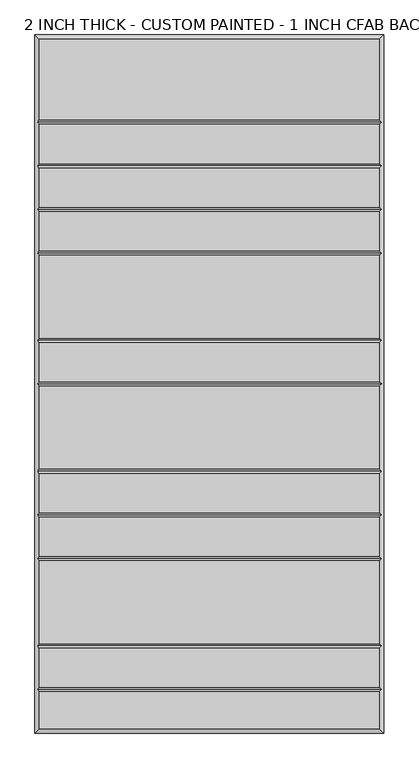
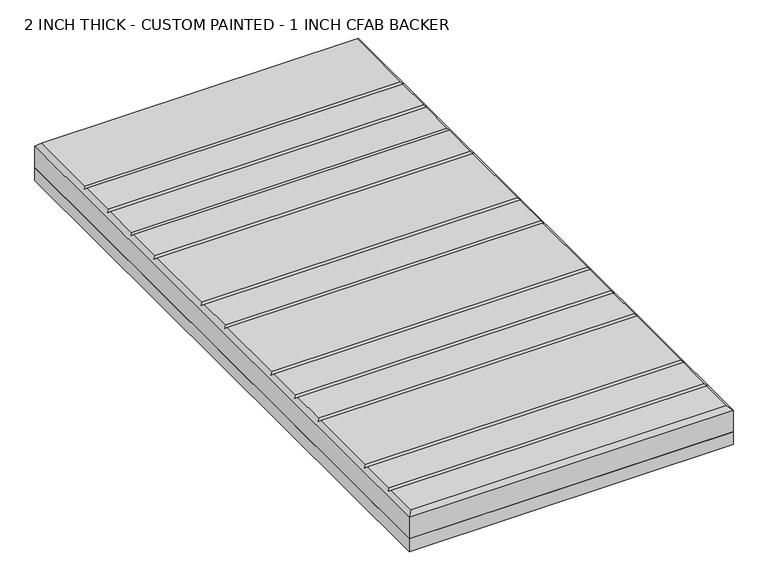
"""IFC4 building model written with IfcOpenShell, lengths in millimetres: proxy geometry, 2 INCH THICK - CUSTOM PAINTED - 1 INCH CFAB BACKER."""

from ifc_helpers import new_model, si_unit, frame, origin, place, context, project, spatial, polyline, outline, extrude, faceted_brep, source, transform, mapped, element, save


def proxy_2_inch_thick_custom_painted_1_inch_cfab_backer_077ffd60(model_context):
    return source(origin(), model_context, "Body", "SolidModel", [
        extrude(outline(polyline([(-304.8, 609.6), (304.8, 609.6), (304.8, -609.6), (-304.8, -609.6), (-304.8, 609.6)])), frame((0.0, 0.0, -25.4), z_axis=(0.0, 0.0, 1.0), x_axis=(1.0, 0.0, 0.0)), (0.0, 0.0, 1.0), 25.4),
        faceted_brep([(296.799, 601.599, 50.8), (-296.799, 601.599, 50.8), (-296.799, 461.2005, 50.8), (296.799, 461.2005, 50.8), (-296.799, -601.599, 50.8), (296.799, -601.599, 50.8), (296.799, -537.4005, 50.8), (-296.799, -537.4005, 50.8), (296.799, 376.9995, 50.8), (-296.799, 376.9995, 50.8), (-296.799, 308.8005, 50.8), (296.799, 308.8005, 50.8), (-296.799, 385.0005, 50.8), (296.799, 385.0005, 50.8), (296.799, 453.1995, 50.8), (-296.799, 453.1995, 50.8), (296.799, 300.7995, 50.8), (-296.799, 300.7995, 50.8), (-296.799, 232.6005, 50.8), (296.799, 232.6005, 50.8), (296.799, 224.5995, 50.8), (-296.799, 224.5995, 50.8), (-296.799, 80.2005, 50.8), (296.799, 80.2005, 50.8), (296.799, 72.1995, 50.8), (-296.799, 72.1995, 50.8), (-296.799, 4.0005, 50.8), (296.799, 4.0005, 50.8), (296.799, -4.0005, 50.8), (-296.799, -4.0005, 50.8), (-296.799, -148.3995, 50.8), (296.799, -148.3995, 50.8), (296.799, -156.4005, 50.8), (-296.799, -156.4005, 50.8), (-296.799, -224.5995, 50.8), (296.799, -224.5995, 50.8), (296.799, -232.6005, 50.8), (-296.799, -232.6005, 50.8), (-296.799, -300.7995, 50.8), (296.799, -300.7995, 50.8), (296.799, -308.8005, 50.8), (-296.799, -308.8005, 50.8), (-296.799, -453.1995, 50.8), (296.799, -453.1995, 50.8), (296.799, -461.2005, 50.8), (-296.799, -461.2005, 50.8), (-296.799, -529.3995, 50.8), (296.799, -529.3995, 50.8), (-304.8, 609.6, 0.0), (304.8, 609.6, 0.0), (304.8, -609.6, 0.0), (-304.8, -609.6, 0.0), (-304.8, -609.6, 42.799), (-304.8, 609.6, 42.799), (304.8, -609.6, 42.799), (304.8, 609.6, 42.799), (-300.7995, -533.4, 46.7995), (-300.7995, -457.2, 46.7995), (-300.7995, -304.8, 46.7995), (-300.7995, -228.6, 46.7995), (-300.7995, -152.4, 46.7995), (-300.7995, 0.0, 46.7995), (-300.7995, 76.2, 46.7995), (-300.7995, 228.6, 46.7995), (-300.7995, 304.8, 46.7995), (-300.7995, 381.0, 46.7995), (-300.7995, 457.2, 46.7995), (300.7995, 457.2, 46.7995), (300.7995, 381.0, 46.7995), (300.7995, 304.8, 46.7995), (300.7995, 228.6, 46.7995), (300.7995, 76.2, 46.7995), (300.7995, 0.0, 46.7995), (300.7995, -152.4, 46.7995), (300.7995, -228.6, 46.7995), (300.7995, -304.8, 46.7995), (300.7995, -457.2, 46.7995), (300.7995, -533.4, 46.7995)], [[[0, 1, 2, 3]], [[4, 5, 6, 7]], [[8, 9, 10, 11]], [[12, 13, 14, 15]], [[16, 17, 18, 19]], [[20, 21, 22, 23]], [[24, 25, 26, 27]], [[28, 29, 30, 31]], [[32, 33, 34, 35]], [[36, 37, 38, 39]], [[40, 41, 42, 43]], [[44, 45, 46, 47]], [[48, 49, 50, 51]], [[48, 51, 52, 53]], [[51, 50, 54, 52]], [[50, 49, 55, 54]], [[49, 48, 53, 55]], [[53, 1, 0, 55]], [[1, 53, 52, 4, 7, 56, 46, 45, 57, 42, 41, 58, 38, 37, 59, 34, 33, 60, 30, 29, 61, 26, 25, 62, 22, 21, 63, 18, 17, 64, 10, 9, 65, 12, 15, 66, 2]], [[4, 52, 54, 5]], [[55, 0, 3, 67, 14, 13, 68, 8, 11, 69, 16, 19, 70, 20, 23, 71, 24, 27, 72, 28, 31, 73, 32, 35, 74, 36, 39, 75, 40, 43, 76, 44, 47, 77, 6, 5, 54]], [[68, 65, 9, 8]], [[65, 68, 13, 12]], [[69, 64, 17, 16]], [[64, 69, 11, 10]], [[70, 63, 21, 20]], [[63, 70, 19, 18]], [[71, 62, 25, 24]], [[62, 71, 23, 22]], [[72, 61, 29, 28]], [[61, 72, 27, 26]], [[73, 60, 33, 32]], [[60, 73, 31, 30]], [[74, 59, 37, 36]], [[59, 74, 35, 34]], [[75, 58, 41, 40]], [[58, 75, 39, 38]], [[76, 57, 45, 44]], [[57, 76, 43, 42]], [[77, 56, 7, 6]], [[56, 77, 47, 46]], [[67, 66, 15, 14]], [[66, 67, 3, 2]]]),
    ])


if __name__ == "__main__":
    model = new_model("IFC4")
    model_context = context("Model", 3, world=origin())
    ifc_project = project(units=[si_unit("LENGTHUNIT", "METRE", prefix="MILLI")], contexts=[model_context])
    site = spatial("IfcSite", under=ifc_project)
    building = spatial("IfcBuilding", under=site)
    placement = place(None, origin())
    proxy_2_inch_thick_custom_painted_1_inch_cfab_backer_shape = proxy_2_inch_thick_custom_painted_1_inch_cfab_backer_077ffd60(model_context)
    element("IfcBuildingElementProxy", 1, Name="2 INCH THICK - CUSTOM PAINTED - 1 INCH CFAB BACKER", ObjectType="2 INCH THICK - CUSTOM PAINTED - 1 INCH CFAB BACKER", at=placement, inside=building, context=model_context, shape_type="MappedRepresentation", body=[
        mapped(proxy_2_inch_thick_custom_painted_1_inch_cfab_backer_shape, transform((0.0, 0.0, 0.0), x_axis=(1.0, 0.0, 0.0), y_axis=(0.0, 1.0, 0.0), z_axis=(0.0, 0.0, 1.0))),
    ])
    save(model, "model.ifc")
